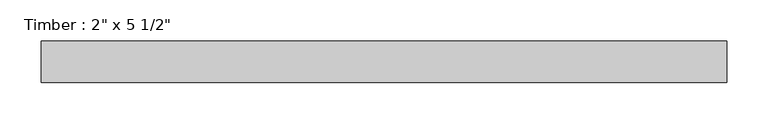
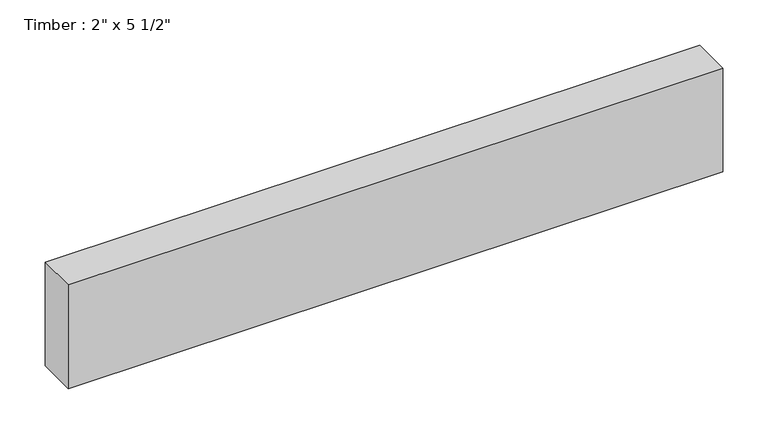
"""IFC4 building model written with IfcOpenShell, lengths in millimetres: beam geometry."""

from ifc_helpers import new_model, si_unit, frame, origin, place, context, project, spatial, polyline, outline, extrude, source, transform, mapped, element, save


def beam_97795f8b(model_context):
    return source(origin(), model_context, "Body", "SweptSolid", [
        extrude(outline(polyline([(416.9033331, 25.4), (416.9033331, -25.4), (-416.9033331, -25.4), (-416.9033331, 25.4), (416.9033331, 25.4)])), frame((0.0, 0.0, -69.85), z_axis=(0.0, 0.0, 1.0), x_axis=(1.0, 0.0, 0.0)), (0.0, 0.0, 1.0), 139.7),
    ])


if __name__ == "__main__":
    model = new_model("IFC4")
    model_context = context("Model", 3, world=origin())
    ifc_project = project(units=[si_unit("LENGTHUNIT", "METRE", prefix="MILLI")], contexts=[model_context])
    site = spatial("IfcSite", under=ifc_project)
    building = spatial("IfcBuilding", under=site)
    placement = place(None, origin())
    beam_shape = beam_97795f8b(model_context)
    element("IfcBeam", 1, ObjectType="Timber : 2\" x 5 1/2\"", at=placement, inside=building, context=model_context, shape_type="MappedRepresentation", body=[
        mapped(beam_shape, transform((0.0, 0.0, 0.0), x_axis=(1.0, 0.0, 0.0), y_axis=(0.0, 1.0, 0.0), z_axis=(0.0, 0.0, 1.0))),
    ])
    save(model, "model.ifc")
